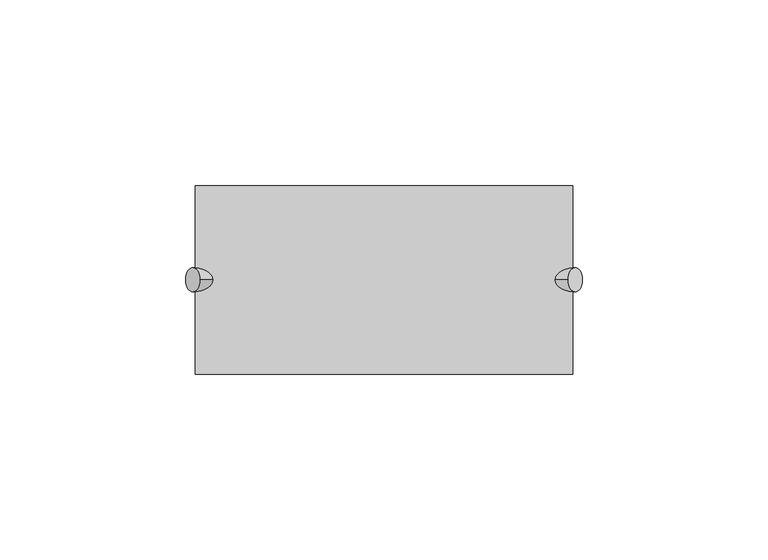
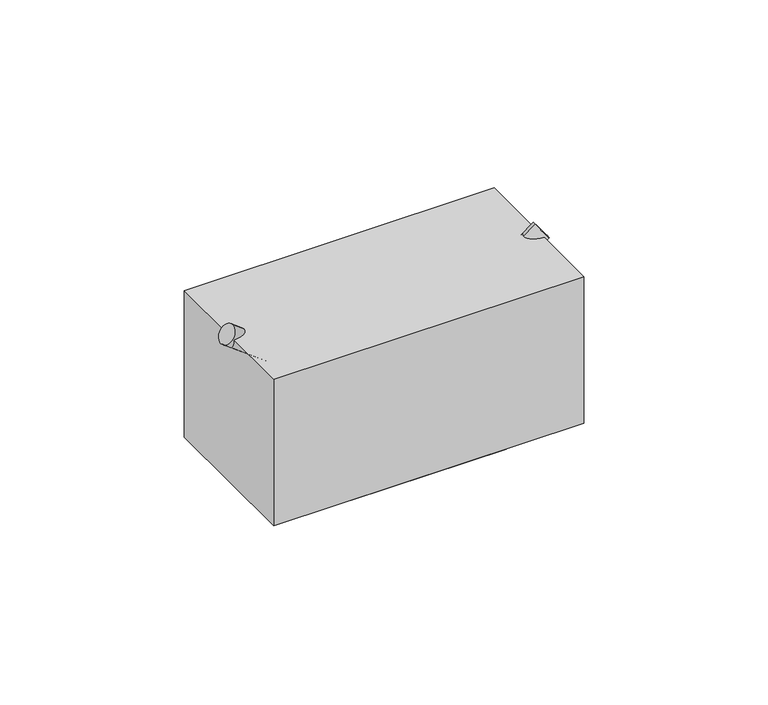
"""IFC4 building model written with IfcOpenShell, lengths in millimetres: proxy geometry."""

from ifc_helpers import new_model, si_unit, frame, origin, origin_with_axes, place, context, project, spatial, polyline, circle_curve, ellipse_curve, outline, extrude, source, transform, mapped, element, save
from ifc_brep_helpers import plane_surface, cylinder_surface, advanced_brep


def specialty_equipment_4be3cf79(model_context):
    return source(origin(), model_context, "Body", "SolidModel", [
        extrude(outline(polyline([(50.8, 25.4), (50.8, -25.4), (-50.8, -25.4), (-50.8, 25.4), (50.8, 25.4)])), origin_with_axes(), (0.0, 0.0, 1.0), 50.8),
        advanced_brep(
        [(-53.475253, 0.0, 48.7696452), (-49.5999303, 0.0, 53.9367422), (-5.3823927, 0.0, 12.7), (0.0, -3.2294356, 12.7), (0.0, 0.0, 16.7367945), (0.0, 3.2294356, 12.7), (53.475253, 0.0, 48.7696452), (49.5999303, 0.0, 53.9367422), (5.3823927, 0.0, 12.7), (-25.4, -25.4, 12.7), (25.4, -25.4, 12.7), (25.4, 25.4, 12.7), (-25.4, 25.4, 12.7), (-25.4, -25.4, 0.0), (-25.4, 25.4, 0.0), (25.4, 25.4, 0.0), (25.4, -25.4, 0.0)],
        [
            (0, 1, circle_curve(frame((-51.5375917, 0.0, 51.3531937), z_axis=(-0.7999999999999928, 0.0, 0.6000000000000097), x_axis=(0.6000000000000097, 0.0, 0.7999999999999928)), 3.2294356)),
            (1, 0, circle_curve(frame((-51.5375917, 0.0, 51.3531937), z_axis=(-0.7999999999999928, 0.0, 0.6000000000000097), x_axis=(0.6000000000000097, 0.0, 0.7999999999999928)), 3.2294356)),
            (0, 2),
            (2, 3, ellipse_curve(frame((0.0, 0.0, 12.7), z_axis=(0.0, 0.0, 1.0), x_axis=(-0.9999999999999999, 0.0, 0.0)), 5.3823927, 3.2294356)),
            (3, 4, ellipse_curve(frame((0.0, 0.0, 12.7), z_axis=(-0.9999999999999999, 0.0, 0.0), x_axis=(0.0, 0.0, 1.0)), 4.0367945, 3.2294356)),
            (4, 1),
            (4, 5, ellipse_curve(frame((0.0, 0.0, 12.7), z_axis=(-0.9999999999999999, 0.0, 0.0), x_axis=(0.0, 0.0, 1.0)), 4.0367945, 3.2294356)),
            (5, 2, ellipse_curve(frame((0.0, 0.0, 12.7), z_axis=(0.0, 0.0, 1.0), x_axis=(-0.9999999999999999, 0.0, 0.0)), 5.3823927, 3.2294356)),
            (6, 7, circle_curve(frame((51.5375917, 0.0, 51.3531937), z_axis=(0.7999999999999928, 0.0, 0.6000000000000097), x_axis=(-0.6000000000000097, 0.0, 0.7999999999999928)), 3.2294356)),
            (7, 6, circle_curve(frame((51.5375917, 0.0, 51.3531937), z_axis=(0.7999999999999928, 0.0, 0.6000000000000097), x_axis=(-0.6000000000000097, 0.0, 0.7999999999999928)), 3.2294356)),
            (7, 4),
            (3, 8, ellipse_curve(frame((0.0, 0.0, 12.7), z_axis=(0.0, 0.0, 1.0), x_axis=(0.9999999999999999, 0.0, 0.0)), 5.3823927, 3.2294356)),
            (8, 6),
            (8, 5, ellipse_curve(frame((0.0, 0.0, 12.7), z_axis=(0.0, 0.0, 1.0), x_axis=(0.9999999999999999, 0.0, 0.0)), 5.3823927, 3.2294356)),
            (9, 10),
            (10, 11),
            (11, 12),
            (12, 9),
            (13, 14),
            (14, 15),
            (15, 16),
            (16, 13),
            (12, 14),
            (13, 9),
            (11, 15),
            (10, 16),
        ],
        [
            plane_surface(frame((-49.5999303, 0.0, 53.9367422), z_axis=(-0.7999999999999927, 0.0, 0.6000000000000097), x_axis=(0.0, 1.0, 0.0))),
            cylinder_surface(frame((0.0, 0.0, 12.7), z_axis=(-0.7999999999999928, 0.0, 0.6000000000000097), x_axis=(0.6000000000000097, 0.0, 0.7999999999999928)), 3.2294356),
            plane_surface(frame((49.5999303, 0.0, 53.9367422), z_axis=(0.7999999999999927, 0.0, 0.6000000000000097), x_axis=(0.0, -1.0, 0.0))),
            cylinder_surface(frame((0.0, 0.0, 12.7), z_axis=(0.7999999999999928, 0.0, 0.6000000000000097), x_axis=(-0.6000000000000097, 0.0, 0.7999999999999928)), 3.2294356),
            plane_surface(frame((25.4, -25.4, 12.7), z_axis=(0.0, 0.0, 1.0), x_axis=(1.0, 0.0, 0.0))),
            plane_surface(frame((25.4, -25.4, 0.0), z_axis=(0.0, 0.0, -1.0), x_axis=(-1.0, 0.0, 0.0))),
            plane_surface(frame((-25.4, 25.4, 12.7), z_axis=(-1.0, 0.0, 0.0), x_axis=(0.0, 0.0, -1.0))),
            plane_surface(frame((25.4, 25.4, 12.7), z_axis=(0.0, 1.0, 0.0), x_axis=(0.0, 0.0, -1.0))),
            plane_surface(frame((25.4, -25.4, 12.7), z_axis=(1.0, 0.0, 0.0), x_axis=(0.0, 0.0, -1.0))),
            plane_surface(frame((-25.4, -25.4, 12.7), z_axis=(0.0, -1.0, 0.0), x_axis=(0.0, 0.0, -1.0))),
        ],
        [
            (0, [[1, 2]]),
            (1, [[-1, 3, 4, 5, 6]]),
            (1, [[-2, -6, 7, 8, -3]]),
            (2, [[9, 10]]),
            (3, [[-10, 11, -5, 12, 13]]),
            (3, [[-9, -13, 14, -7, -11]]),
            (4, [[15, 16, 17, 18], [-4, -8, -14, -12]]),
            (5, [[19, 20, 21, 22]]),
            (6, [[-18, 23, -19, 24]]),
            (7, [[-17, 25, -20, -23]]),
            (8, [[-16, 26, -21, -25]]),
            (9, [[-15, -24, -22, -26]]),
        ],
    ),
    ])


if __name__ == "__main__":
    model = new_model("IFC4")
    model_context = context("Model", 3, world=origin())
    ifc_project = project(units=[si_unit("LENGTHUNIT", "METRE", prefix="MILLI")], contexts=[model_context])
    site = spatial("IfcSite", under=ifc_project)
    building = spatial("IfcBuilding", under=site)
    placement = place(None, origin())
    specialty_equipment_shape = specialty_equipment_4be3cf79(model_context)
    element("IfcBuildingElementProxy", 1, Name="Specialty Equipment", at=placement, inside=building, context=model_context, shape_type="MappedRepresentation", body=[
        mapped(specialty_equipment_shape, transform((0.0, 0.0, 0.0), x_axis=(1.0, 0.0, 0.0), y_axis=(0.0, 1.0, 0.0), z_axis=(0.0, 0.0, 1.0))),
    ])
    save(model, "model.ifc")
